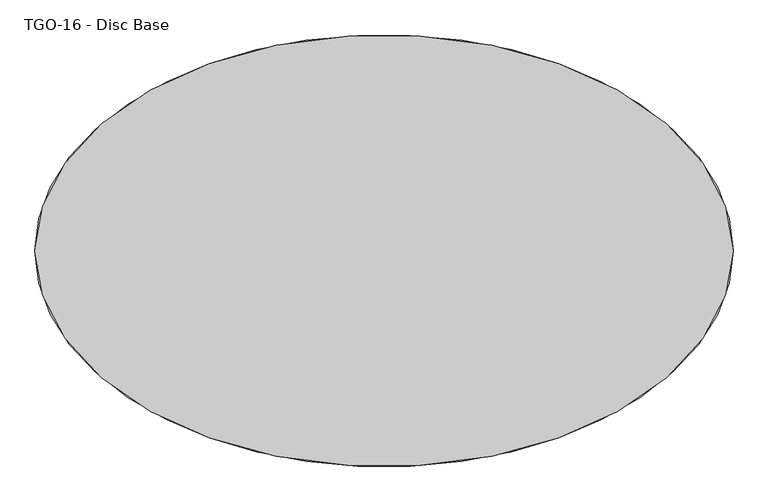
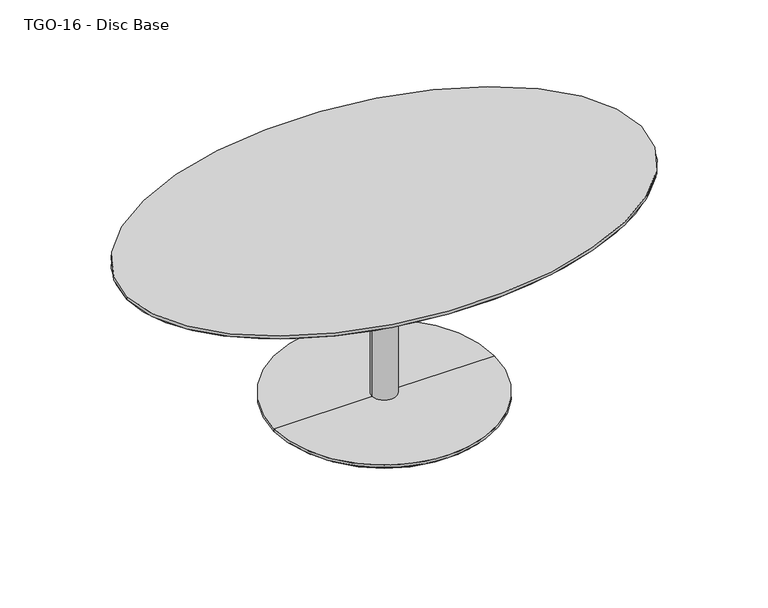
"""IFC4 building model written with IfcOpenShell, lengths in millimetres: furniture geometry, TGO-16 - Disc Base."""

from ifc_helpers import new_model, si_unit, point, frame, origin, origin_with_axes, place, context, project, spatial, polyline, circle_curve, ellipse_curve, trimmed, source, transform, mapped, element, save
from ifc_brep_helpers import plane_surface, cylinder_surface, revolved_surface, extruded_surface, spline_surface, advanced_brep


def tgo_16_disc_base_4b75ad3d(model_context):
    return source(origin(), model_context, "Body", "AdvancedBrep", [
        advanced_brep(
        [(-228.5999516, 0.0, 3.9999977), (228.5999516, 0.0, 3.9999977), (224.6000504, 0.0, 0.0), (-224.6000504, 0.0, 0.0), (-228.5999516, 0.0, 9.5249943), (228.5999516, 0.0, 9.5249943), (-25.4, 0.0, 9.5249943), (25.4, 0.0, 9.5249943), (-25.4, 0.0, 387.3500121), (25.4, 0.0, 387.3500121), (0.0, 0.0, 387.3500121), (0.0, 0.0, 0.0)],
        [
            (0, 1, circle_curve(frame((0.0, 0.0, 3.9999977), z_axis=(0.0, 0.0, -1.0), x_axis=(1.0, 0.0, 0.0)), 228.5999516)),
            (1, 2),
            (2, 3, circle_curve(origin_with_axes(), 224.6000504)),
            (3, 0),
            (1, 0, circle_curve(frame((0.0, 0.0, 3.9999977), z_axis=(0.0, 0.0, -1.0), x_axis=(1.0, 0.0, 0.0)), 228.5999516)),
            (3, 2, circle_curve(origin_with_axes(), 224.6000504)),
            (4, 5, circle_curve(frame((0.0, 0.0, 9.5249943), z_axis=(0.0, 0.0, -1.0), x_axis=(1.0, 0.0, 0.0)), 228.5999516)),
            (5, 1),
            (0, 4),
            (5, 4, circle_curve(frame((0.0, 0.0, 9.5249943), z_axis=(0.0, 0.0, -1.0), x_axis=(1.0, 0.0, 0.0)), 228.5999516)),
            (6, 7, circle_curve(frame((0.0, 0.0, 9.5249943), z_axis=(0.0, 0.0, -1.0), x_axis=(1.0, 0.0, 0.0)), 25.4)),
            (7, 5),
            (4, 6),
            (7, 6, circle_curve(frame((0.0, 0.0, 9.5249943), z_axis=(0.0, 0.0, -1.0), x_axis=(1.0, 0.0, 0.0)), 25.4)),
            (8, 9, circle_curve(frame((0.0, 0.0, 387.3500121), z_axis=(0.0, 0.0, -1.0), x_axis=(1.0, 0.0, 0.0)), 25.4)),
            (9, 7),
            (6, 8),
            (9, 8, circle_curve(frame((0.0, 0.0, 387.3500121), z_axis=(0.0, 0.0, -1.0), x_axis=(1.0, 0.0, 0.0)), 25.4)),
            (10, 9),
            (8, 10),
            (2, 11),
            (11, 3),
        ],
        [
            revolved_surface(polyline([(224.6000504, 0.0, 0.0), (228.5999516, 0.0, 3.9999977)]), (0.0, 0.0, -14.8746078), (0.0, 0.0, 1.0)),
            cylinder_surface(frame((0.0, 0.0, -14.8746078), z_axis=(0.0, 0.0, 1.0), x_axis=(1.0, 0.0, 0.0)), 228.5999516),
            plane_surface(frame((0.0, 0.0, 9.5249943), z_axis=(0.0, 0.0, 1.0), x_axis=(1.0, 0.0, 0.0))),
            cylinder_surface(frame((0.0, 0.0, -14.8746078), z_axis=(0.0, 0.0, 1.0), x_axis=(1.0, 0.0, 0.0)), 25.4),
            plane_surface(frame((0.0, 0.0, 387.3500121), z_axis=(0.0, 0.0, 1.0), x_axis=(1.0, 0.0, 0.0))),
            plane_surface(frame((0.0, 0.0, 0.0), z_axis=(0.0, 0.0, -1.0), x_axis=(1.0, 0.0, 0.0))),
        ],
        [
            (0, [[1, 2, 3, 4]]),
            (0, [[5, -4, 6, -2]]),
            (1, [[7, 8, -1, 9]]),
            (1, [[10, -9, -5, -8]]),
            (2, [[11, 12, -7, 13]]),
            (2, [[14, -13, -10, -12]]),
            (3, [[15, 16, -11, 17]]),
            (3, [[18, -17, -14, -16]]),
            (4, [[19, -15, 20]]),
            (4, [[-20, -18, -19]]),
            (5, [[-3, 21, 22]]),
            (5, [[-6, -22, -21]]),
        ],
    ),
        advanced_brep(
        [(533.3999516, 0.0, 406.4000121), (-533.3999516, 0.0, 406.4000121), (533.3999516, 0.0, 400.05), (-533.3999516, 0.0, 400.05)],
        [
            (0, 1, ellipse_curve(frame((0.0, 0.0, 406.4000121), z_axis=(0.0, 0.0, 1.0), x_axis=(-1.0, 0.0, 0.0)), 533.3999516, 330.2000109)),
            (1, 0, ellipse_curve(frame((0.0, 0.0, 406.4000121), z_axis=(0.0, 0.0, 1.0), x_axis=(-1.0, 0.0, 0.0)), 533.3999516, 330.2000109)),
            (2, 3, ellipse_curve(frame((0.0, 0.0, 400.05), z_axis=(0.0, 0.0, -1.0), x_axis=(-1.0, 0.0, 0.0)), 533.3999516, 330.2000109)),
            (3, 2, ellipse_curve(frame((0.0, 0.0, 400.05), z_axis=(0.0, 0.0, -1.0), x_axis=(-1.0, 0.0, 0.0)), 533.3999516, 330.2000109)),
            (0, 2),
            (3, 1),
        ],
        [
            plane_surface(frame((-533.3999516, 0.0, 406.4000121), z_axis=(0.0, 0.0, 1.0), x_axis=(0.0, -1.0, 0.0))),
            plane_surface(frame((-533.3999516, 0.0, 400.05), z_axis=(0.0, 0.0, -1.0), x_axis=(0.0, 1.0, 0.0))),
            extruded_surface(trimmed(ellipse_curve(frame((0.0, 0.0, 393.6999879), z_axis=(0.0, 0.0, 1.0), x_axis=(-1.0, 0.0, 0.0)), 533.3999516, 330.2000109), [point((533.3999516, 0.0, 393.6999879))], [point((-533.3999516, 0.0, 393.6999879))], True, "CARTESIAN"), (0.0, 0.0, 6.350012100000015), 6.350012100000015),
            extruded_surface(trimmed(ellipse_curve(frame((0.0, 0.0, 393.6999879), z_axis=(0.0, 0.0, 1.0), x_axis=(-1.0, 0.0, 0.0)), 533.3999516, 330.2000109), [point((-533.3999516, 0.0, 393.6999879))], [point((533.3999516, 0.0, 393.6999879))], True, "CARTESIAN"), (0.0, 0.0, 6.350012100000015), 6.350012100000015),
        ],
        [
            (0, [[1, 2]]),
            (1, [[3, 4]]),
            (2, [[-1, 5, -4, 6]]),
            (3, [[-2, -6, -3, -5]]),
        ],
    ),
        advanced_brep(
        [(533.3999516, 0.0, 400.05), (-533.3999516, 0.0, 400.05), (495.2999516, 0.0, 387.3500121), (-495.2999516, 0.0, 387.3500121)],
        [
            (0, 1, ellipse_curve(frame((0.0, 0.0, 400.05), z_axis=(0.0, 0.0, 1.0), x_axis=(-1.0, 0.0, 0.0)), 533.3999516, 330.2000109)),
            (1, 0, ellipse_curve(frame((0.0, 0.0, 400.05), z_axis=(0.0, 0.0, 1.0), x_axis=(-1.0, 0.0, 0.0)), 533.3999516, 330.2000109)),
            (2, 3, ellipse_curve(frame((0.0, 0.0, 387.3500121), z_axis=(0.0, 0.0, -1.0), x_axis=(-1.0, 0.0, 0.0)), 495.2999516, 292.0981405)),
            (3, 2, ellipse_curve(frame((0.0, 0.0, 387.3500121), z_axis=(0.0, 0.0, -1.0), x_axis=(-1.0, 0.0, 0.0)), 495.2999516, 292.0981405)),
            (3, 1),
            (0, 2),
        ],
        [
            plane_surface(frame((0.0, 0.0, 400.05), z_axis=(0.0, 0.0, 1.0), x_axis=(0.0, 1.0, 0.0))),
            plane_surface(frame((0.0, 0.0, 387.3500121), z_axis=(0.0, 0.0, -1.0), x_axis=(0.0, 1.0, 0.0))),
            spline_surface(2, 1, [[(495.2999516, 0.0, 387.3500121), (533.3999516, 0.0, 400.05)], [(495.2999516, 292.0981405, 387.3500121), (533.3999516, 330.2000109, 400.05)], [(0.0, 292.0981405, 387.3500121), (0.0, 330.2000109, 400.05)], [(-495.2999516, 292.0981405, 387.3500121), (-533.3999516, 330.2000109, 400.05)], [(-495.2999516, 0.0, 387.3500121), (-533.3999516, 0.0, 400.05)]], [3, 2, 3], [2, 2], [0.0, 1.0, 2.0], [0.0, 1.0], weights=[[1.0, 1.0], [0.7071067811865476, 0.7071067811865476], [1.0, 1.0], [0.7071067811865476, 0.7071067811865476], [1.0, 1.0]]),
            spline_surface(2, 1, [[(-495.2999516, 0.0, 387.3500121), (-533.3999516, 0.0, 400.05)], [(-495.2999516, -292.0981405, 387.3500121), (-533.3999516, -330.2000109, 400.05)], [(0.0, -292.0981405, 387.3500121), (0.0, -330.2000109, 400.05)], [(495.2999516, -292.0981405, 387.3500121), (533.3999516, -330.2000109, 400.05)], [(495.2999516, 0.0, 387.3500121), (533.3999516, 0.0, 400.05)]], [3, 2, 3], [2, 2], [0.0, 1.0, 2.0], [0.0, 1.0], weights=[[1.0, 1.0], [0.7071067811865476, 0.7071067811865476], [1.0, 1.0], [0.7071067811865476, 0.7071067811865476], [1.0, 1.0]]),
        ],
        [
            (0, [[1, 2]]),
            (1, [[3, 4]]),
            (2, [[-4, 5, -1, 6]]),
            (3, [[-3, -6, -2, -5]]),
        ],
    ),
    ])


if __name__ == "__main__":
    model = new_model("IFC4")
    model_context = context("Model", 3, world=origin())
    ifc_project = project(units=[si_unit("LENGTHUNIT", "METRE", prefix="MILLI")], contexts=[model_context])
    site = spatial("IfcSite", under=ifc_project)
    building = spatial("IfcBuilding", under=site)
    placement = place(None, origin())
    tgo_16_disc_base_shape = tgo_16_disc_base_4b75ad3d(model_context)
    element("IfcFurniture", 1, ObjectType="TGO-16 - Disc Base", at=placement, inside=building, context=model_context, shape_type="MappedRepresentation", body=[
        mapped(tgo_16_disc_base_shape, transform((0.0, 0.0, 0.0), x_axis=(1.0, 0.0, 0.0), y_axis=(0.0, 1.0, 0.0), z_axis=(0.0, 0.0, 1.0))),
    ])
    save(model, "model.ifc")
